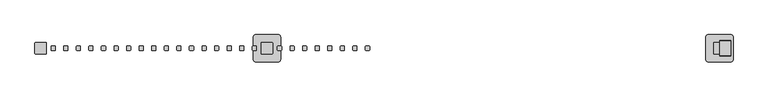
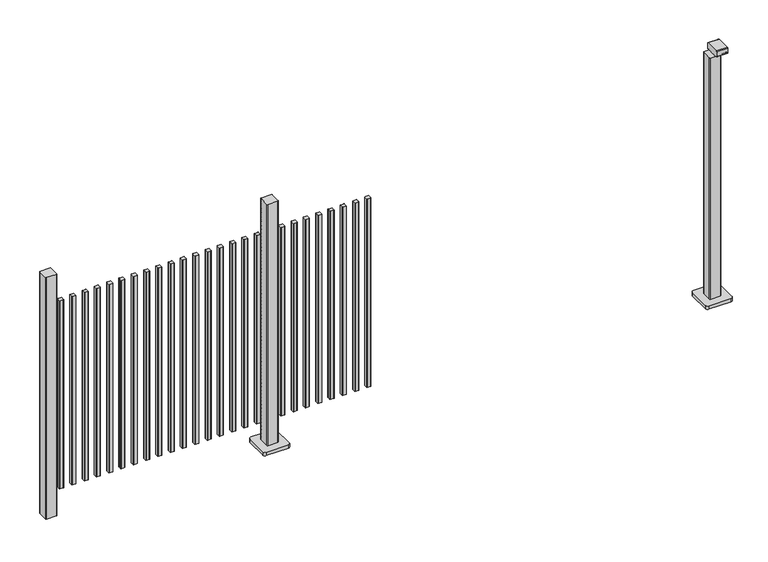
"""IFC4 building model written with IfcOpenShell, lengths in millimetres: railing geometry."""

from ifc_helpers import new_model, si_unit, point, frame, frame_2d, origin, origin_with_axes, place, context, project, spatial, polyline, circle_curve, trimmed, segment, composite_curve, outline, extrude, source, transform, mapped, element, save


def railing_44521c37(model_context):
    return source(origin(), model_context, "Body", "SweptSolid", [
        extrude(outline(composite_curve([segment(trimmed(circle_curve(frame_2d((5128.2391355, 9693.4508236)), 1.4), [point((5126.8391355, 9693.4508236))], [point((5128.2391355, 9694.8508236))], False, "CARTESIAN"), True, "CONTINUOUS"), segment(polyline([(5128.2391355, 9694.8508236), (5143.4391385, 9694.8508236)]), True, "CONTINUOUS"), segment(trimmed(circle_curve(frame_2d((5143.4391385, 9693.4508236)), 1.4), [point((5143.4391385, 9694.8508236))], [point((5144.8391385, 9693.4508236))], False, "CARTESIAN"), True, "CONTINUOUS"), segment(polyline([(5144.8391385, 9693.4508236), (5144.8391385, 9678.2507846)]), True, "CONTINUOUS"), segment(trimmed(circle_curve(frame_2d((5143.4391385, 9678.2507846)), 1.4), [point((5144.8391385, 9678.2507846))], [point((5143.4391385, 9676.8507846))], False, "CARTESIAN"), True, "CONTINUOUS"), segment(polyline([(5143.4391385, 9676.8507846), (5128.2391355, 9676.8507846)]), True, "CONTINUOUS"), segment(trimmed(circle_curve(frame_2d((5128.2391355, 9678.2507846)), 1.4), [point((5128.2391355, 9676.8507846))], [point((5126.8391355, 9678.2507846))], False, "CARTESIAN"), True, "CONTINUOUS"), segment(polyline([(5126.8391355, 9678.2507846), (5126.8391355, 9693.4508236)]), True, "CONTINUOUS")], self_intersect=False)), frame((0.0, 0.0, 125.0), z_axis=(0.0, 0.0, 1.0), x_axis=(1.0, 0.0, 0.0)), (0.0, 0.0, 1.0), 900.0),
        extrude(outline(composite_curve([segment(trimmed(circle_curve(frame_2d((5072.6835799, 9693.4508236)), 1.4), [point((5071.2835799, 9693.4508236))], [point((5072.6835799, 9694.8508236))], False, "CARTESIAN"), True, "CONTINUOUS"), segment(polyline([(5072.6835799, 9694.8508236), (5087.8835829, 9694.8508236)]), True, "CONTINUOUS"), segment(trimmed(circle_curve(frame_2d((5087.8835829, 9693.4508236)), 1.4), [point((5087.8835829, 9694.8508236))], [point((5089.2835829, 9693.4508236))], False, "CARTESIAN"), True, "CONTINUOUS"), segment(polyline([(5089.2835829, 9693.4508236), (5089.2835829, 9678.2507846)]), True, "CONTINUOUS"), segment(trimmed(circle_curve(frame_2d((5087.8835829, 9678.2507846)), 1.4), [point((5089.2835829, 9678.2507846))], [point((5087.8835829, 9676.8507846))], False, "CARTESIAN"), True, "CONTINUOUS"), segment(polyline([(5087.8835829, 9676.8507846), (5072.6835799, 9676.8507846)]), True, "CONTINUOUS"), segment(trimmed(circle_curve(frame_2d((5072.6835799, 9678.2507846)), 1.4), [point((5072.6835799, 9676.8507846))], [point((5071.2835799, 9678.2507846))], False, "CARTESIAN"), True, "CONTINUOUS"), segment(polyline([(5071.2835799, 9678.2507846), (5071.2835799, 9693.4508236)]), True, "CONTINUOUS")], self_intersect=False)), frame((0.0, 0.0, 125.0), z_axis=(0.0, 0.0, 1.0), x_axis=(1.0, 0.0, 0.0)), (0.0, 0.0, 1.0), 900.0),
        extrude(outline(composite_curve([segment(trimmed(circle_curve(frame_2d((5017.1280244, 9693.4508236)), 1.4), [point((5015.7280244, 9693.4508236))], [point((5017.1280244, 9694.8508236))], False, "CARTESIAN"), True, "CONTINUOUS"), segment(polyline([(5017.1280244, 9694.8508236), (5032.3280274, 9694.8508236)]), True, "CONTINUOUS"), segment(trimmed(circle_curve(frame_2d((5032.3280274, 9693.4508236)), 1.4), [point((5032.3280274, 9694.8508236))], [point((5033.7280274, 9693.4508236))], False, "CARTESIAN"), True, "CONTINUOUS"), segment(polyline([(5033.7280274, 9693.4508236), (5033.7280274, 9678.2507846)]), True, "CONTINUOUS"), segment(trimmed(circle_curve(frame_2d((5032.3280274, 9678.2507846)), 1.4), [point((5033.7280274, 9678.2507846))], [point((5032.3280274, 9676.8507846))], False, "CARTESIAN"), True, "CONTINUOUS"), segment(polyline([(5032.3280274, 9676.8507846), (5017.1280244, 9676.8507846)]), True, "CONTINUOUS"), segment(trimmed(circle_curve(frame_2d((5017.1280244, 9678.2507846)), 1.4), [point((5017.1280244, 9676.8507846))], [point((5015.7280244, 9678.2507846))], False, "CARTESIAN"), True, "CONTINUOUS"), segment(polyline([(5015.7280244, 9678.2507846), (5015.7280244, 9693.4508236)]), True, "CONTINUOUS")], self_intersect=False)), frame((0.0, 0.0, 125.0), z_axis=(0.0, 0.0, 1.0), x_axis=(1.0, 0.0, 0.0)), (0.0, 0.0, 1.0), 900.0),
        extrude(outline(composite_curve([segment(trimmed(circle_curve(frame_2d((4961.5724688, 9693.4508236)), 1.4), [point((4960.1724688, 9693.4508236))], [point((4961.5724688, 9694.8508236))], False, "CARTESIAN"), True, "CONTINUOUS"), segment(polyline([(4961.5724688, 9694.8508236), (4976.7724718, 9694.8508236)]), True, "CONTINUOUS"), segment(trimmed(circle_curve(frame_2d((4976.7724718, 9693.4508236)), 1.4), [point((4976.7724718, 9694.8508236))], [point((4978.1724718, 9693.4508236))], False, "CARTESIAN"), True, "CONTINUOUS"), segment(polyline([(4978.1724718, 9693.4508236), (4978.1724718, 9678.2507846)]), True, "CONTINUOUS"), segment(trimmed(circle_curve(frame_2d((4976.7724718, 9678.2507846)), 1.4), [point((4978.1724718, 9678.2507846))], [point((4976.7724718, 9676.8507846))], False, "CARTESIAN"), True, "CONTINUOUS"), segment(polyline([(4976.7724718, 9676.8507846), (4961.5724688, 9676.8507846)]), True, "CONTINUOUS"), segment(trimmed(circle_curve(frame_2d((4961.5724688, 9678.2507846)), 1.4), [point((4961.5724688, 9676.8507846))], [point((4960.1724688, 9678.2507846))], False, "CARTESIAN"), True, "CONTINUOUS"), segment(polyline([(4960.1724688, 9678.2507846), (4960.1724688, 9693.4508236)]), True, "CONTINUOUS")], self_intersect=False)), frame((0.0, 0.0, 125.0), z_axis=(0.0, 0.0, 1.0), x_axis=(1.0, 0.0, 0.0)), (0.0, 0.0, 1.0), 900.0),
        extrude(outline(composite_curve([segment(trimmed(circle_curve(frame_2d((4906.0169133, 9693.4508236)), 1.4), [point((4904.6169133, 9693.4508236))], [point((4906.0169133, 9694.8508236))], False, "CARTESIAN"), True, "CONTINUOUS"), segment(polyline([(4906.0169133, 9694.8508236), (4921.2169163, 9694.8508236)]), True, "CONTINUOUS"), segment(trimmed(circle_curve(frame_2d((4921.2169163, 9693.4508236)), 1.4), [point((4921.2169163, 9694.8508236))], [point((4922.6169163, 9693.4508236))], False, "CARTESIAN"), True, "CONTINUOUS"), segment(polyline([(4922.6169163, 9693.4508236), (4922.6169163, 9678.2507846)]), True, "CONTINUOUS"), segment(trimmed(circle_curve(frame_2d((4921.2169163, 9678.2507846)), 1.4), [point((4922.6169163, 9678.2507846))], [point((4921.2169163, 9676.8507846))], False, "CARTESIAN"), True, "CONTINUOUS"), segment(polyline([(4921.2169163, 9676.8507846), (4906.0169133, 9676.8507846)]), True, "CONTINUOUS"), segment(trimmed(circle_curve(frame_2d((4906.0169133, 9678.2507846)), 1.4), [point((4906.0169133, 9676.8507846))], [point((4904.6169133, 9678.2507846))], False, "CARTESIAN"), True, "CONTINUOUS"), segment(polyline([(4904.6169133, 9678.2507846), (4904.6169133, 9693.4508236)]), True, "CONTINUOUS")], self_intersect=False)), frame((0.0, 0.0, 125.0), z_axis=(0.0, 0.0, 1.0), x_axis=(1.0, 0.0, 0.0)), (0.0, 0.0, 1.0), 900.0),
        extrude(outline(composite_curve([segment(trimmed(circle_curve(frame_2d((4850.4613577, 9693.4508236)), 1.4), [point((4849.0613577, 9693.4508236))], [point((4850.4613577, 9694.8508236))], False, "CARTESIAN"), True, "CONTINUOUS"), segment(polyline([(4850.4613577, 9694.8508236), (4865.6613607, 9694.8508236)]), True, "CONTINUOUS"), segment(trimmed(circle_curve(frame_2d((4865.6613607, 9693.4508236)), 1.4), [point((4865.6613607, 9694.8508236))], [point((4867.0613607, 9693.4508236))], False, "CARTESIAN"), True, "CONTINUOUS"), segment(polyline([(4867.0613607, 9693.4508236), (4867.0613607, 9678.2507846)]), True, "CONTINUOUS"), segment(trimmed(circle_curve(frame_2d((4865.6613607, 9678.2507846)), 1.4), [point((4867.0613607, 9678.2507846))], [point((4865.6613607, 9676.8507846))], False, "CARTESIAN"), True, "CONTINUOUS"), segment(polyline([(4865.6613607, 9676.8507846), (4850.4613577, 9676.8507846)]), True, "CONTINUOUS"), segment(trimmed(circle_curve(frame_2d((4850.4613577, 9678.2507846)), 1.4), [point((4850.4613577, 9676.8507846))], [point((4849.0613577, 9678.2507846))], False, "CARTESIAN"), True, "CONTINUOUS"), segment(polyline([(4849.0613577, 9678.2507846), (4849.0613577, 9693.4508236)]), True, "CONTINUOUS")], self_intersect=False)), frame((0.0, 0.0, 125.0), z_axis=(0.0, 0.0, 1.0), x_axis=(1.0, 0.0, 0.0)), (0.0, 0.0, 1.0), 900.0),
        extrude(outline(composite_curve([segment(trimmed(circle_curve(frame_2d((4794.9058021, 9693.4508236)), 1.4), [point((4793.5058021, 9693.4508236))], [point((4794.9058021, 9694.8508236))], False, "CARTESIAN"), True, "CONTINUOUS"), segment(polyline([(4794.9058021, 9694.8508236), (4810.1058051, 9694.8508236)]), True, "CONTINUOUS"), segment(trimmed(circle_curve(frame_2d((4810.1058051, 9693.4508236)), 1.4), [point((4810.1058051, 9694.8508236))], [point((4811.5058051, 9693.4508236))], False, "CARTESIAN"), True, "CONTINUOUS"), segment(polyline([(4811.5058051, 9693.4508236), (4811.5058051, 9678.2507846)]), True, "CONTINUOUS"), segment(trimmed(circle_curve(frame_2d((4810.1058051, 9678.2507846)), 1.4), [point((4811.5058051, 9678.2507846))], [point((4810.1058051, 9676.8507846))], False, "CARTESIAN"), True, "CONTINUOUS"), segment(polyline([(4810.1058051, 9676.8507846), (4794.9058021, 9676.8507846)]), True, "CONTINUOUS"), segment(trimmed(circle_curve(frame_2d((4794.9058021, 9678.2507846)), 1.4), [point((4794.9058021, 9676.8507846))], [point((4793.5058021, 9678.2507846))], False, "CARTESIAN"), True, "CONTINUOUS"), segment(polyline([(4793.5058021, 9678.2507846), (4793.5058021, 9693.4508236)]), True, "CONTINUOUS")], self_intersect=False)), frame((0.0, 0.0, 125.0), z_axis=(0.0, 0.0, 1.0), x_axis=(1.0, 0.0, 0.0)), (0.0, 0.0, 1.0), 900.0),
        extrude(outline(composite_curve([segment(trimmed(circle_curve(frame_2d((4739.3502466, 9693.4508236)), 1.4), [point((4737.9502466, 9693.4508236))], [point((4739.3502466, 9694.8508236))], False, "CARTESIAN"), True, "CONTINUOUS"), segment(polyline([(4739.3502466, 9694.8508236), (4754.5502496, 9694.8508236)]), True, "CONTINUOUS"), segment(trimmed(circle_curve(frame_2d((4754.5502496, 9693.4508236)), 1.4), [point((4754.5502496, 9694.8508236))], [point((4755.9502496, 9693.4508236))], False, "CARTESIAN"), True, "CONTINUOUS"), segment(polyline([(4755.9502496, 9693.4508236), (4755.9502496, 9678.2507846)]), True, "CONTINUOUS"), segment(trimmed(circle_curve(frame_2d((4754.5502496, 9678.2507846)), 1.4), [point((4755.9502496, 9678.2507846))], [point((4754.5502496, 9676.8507846))], False, "CARTESIAN"), True, "CONTINUOUS"), segment(polyline([(4754.5502496, 9676.8507846), (4739.3502466, 9676.8507846)]), True, "CONTINUOUS"), segment(trimmed(circle_curve(frame_2d((4739.3502466, 9678.2507846)), 1.4), [point((4739.3502466, 9676.8507846))], [point((4737.9502466, 9678.2507846))], False, "CARTESIAN"), True, "CONTINUOUS"), segment(polyline([(4737.9502466, 9678.2507846), (4737.9502466, 9693.4508236)]), True, "CONTINUOUS")], self_intersect=False)), frame((0.0, 0.0, 125.0), z_axis=(0.0, 0.0, 1.0), x_axis=(1.0, 0.0, 0.0)), (0.0, 0.0, 1.0), 900.0),
        extrude(outline(composite_curve([segment(trimmed(circle_curve(frame_2d((4668.994681, 9708.2508266)), 3.0), [point((4665.994681, 9708.2508266))], [point((4668.994681, 9711.2508266))], False, "CARTESIAN"), True, "CONTINUOUS"), segment(polyline([(4668.994681, 9711.2508266), (4713.794704, 9711.2508266)]), True, "CONTINUOUS"), segment(trimmed(circle_curve(frame_2d((4713.794704, 9708.2508266)), 3.0), [point((4713.794704, 9711.2508266))], [point((4716.794704, 9708.2508266))], False, "CARTESIAN"), True, "CONTINUOUS"), segment(polyline([(4716.794704, 9708.2508266), (4716.794704, 9663.4508036)]), True, "CONTINUOUS"), segment(trimmed(circle_curve(frame_2d((4713.794704, 9663.4508036)), 3.0), [point((4716.794704, 9663.4508036))], [point((4713.794704, 9660.4508036))], False, "CARTESIAN"), True, "CONTINUOUS"), segment(polyline([(4713.794704, 9660.4508036), (4668.994681, 9660.4508036)]), True, "CONTINUOUS"), segment(trimmed(circle_curve(frame_2d((4668.994681, 9663.4508036)), 3.0), [point((4668.994681, 9660.4508036))], [point((4665.994681, 9663.4508036))], False, "CARTESIAN"), True, "CONTINUOUS"), segment(polyline([(4665.994681, 9663.4508036), (4665.994681, 9708.2508266)]), True, "CONTINUOUS")], self_intersect=False)), frame((0.0, 0.0, 16.0), z_axis=(0.0, 0.0, 1.0), x_axis=(1.0, 0.0, 0.0)), (0.0, 0.0, 1.0), 1153.8785743),
        extrude(outline(composite_curve([segment(trimmed(circle_curve(frame_2d((4641.394681, 9735.8508151)), 10.0), [point((4631.394681, 9735.8508151))], [point((4641.394681, 9745.8508151))], False, "CARTESIAN"), True, "CONTINUOUS"), segment(polyline([(4641.394681, 9745.8508151), (4741.394681, 9745.8508151)]), True, "CONTINUOUS"), segment(trimmed(circle_curve(frame_2d((4741.394681, 9735.8508151)), 10.0), [point((4741.394681, 9745.8508151))], [point((4751.394681, 9735.8508151))], False, "CARTESIAN"), True, "CONTINUOUS"), segment(polyline([(4751.394681, 9735.8508151), (4751.394681, 9635.8508151)]), True, "CONTINUOUS"), segment(trimmed(circle_curve(frame_2d((4741.394681, 9635.8508151)), 10.0), [point((4751.394681, 9635.8508151))], [point((4741.394681, 9625.8508151))], False, "CARTESIAN"), True, "CONTINUOUS"), segment(polyline([(4741.394681, 9625.8508151), (4641.394681, 9625.8508151)]), True, "CONTINUOUS"), segment(trimmed(circle_curve(frame_2d((4641.394681, 9635.8508151)), 10.0), [point((4641.394681, 9625.8508151))], [point((4631.394681, 9635.8508151))], False, "CARTESIAN"), True, "CONTINUOUS"), segment(polyline([(4631.394681, 9635.8508151), (4631.394681, 9735.8508151)]), True, "CONTINUOUS")], self_intersect=False)), origin_with_axes(), (0.0, 0.0, 1.0), 16.0),
        extrude(outline(composite_curve([segment(trimmed(circle_curve(frame_2d((4628.2391355, 9693.4508236)), 1.4), [point((4626.8391355, 9693.4508236))], [point((4628.2391355, 9694.8508236))], False, "CARTESIAN"), True, "CONTINUOUS"), segment(polyline([(4628.2391355, 9694.8508236), (4643.4391385, 9694.8508236)]), True, "CONTINUOUS"), segment(trimmed(circle_curve(frame_2d((4643.4391385, 9693.4508236)), 1.4), [point((4643.4391385, 9694.8508236))], [point((4644.8391385, 9693.4508236))], False, "CARTESIAN"), True, "CONTINUOUS"), segment(polyline([(4644.8391385, 9693.4508236), (4644.8391385, 9678.2507846)]), True, "CONTINUOUS"), segment(trimmed(circle_curve(frame_2d((4643.4391385, 9678.2507846)), 1.4), [point((4644.8391385, 9678.2507846))], [point((4643.4391385, 9676.8507846))], False, "CARTESIAN"), True, "CONTINUOUS"), segment(polyline([(4643.4391385, 9676.8507846), (4628.2391355, 9676.8507846)]), True, "CONTINUOUS"), segment(trimmed(circle_curve(frame_2d((4628.2391355, 9678.2507846)), 1.4), [point((4628.2391355, 9676.8507846))], [point((4626.8391355, 9678.2507846))], False, "CARTESIAN"), True, "CONTINUOUS"), segment(polyline([(4626.8391355, 9678.2507846), (4626.8391355, 9693.4508236)]), True, "CONTINUOUS")], self_intersect=False)), frame((0.0, 0.0, 125.0), z_axis=(0.0, 0.0, 1.0), x_axis=(1.0, 0.0, 0.0)), (0.0, 0.0, 1.0), 900.0),
        extrude(outline(composite_curve([segment(trimmed(circle_curve(frame_2d((4572.6835799, 9693.4508236)), 1.4), [point((4571.2835799, 9693.4508236))], [point((4572.6835799, 9694.8508236))], False, "CARTESIAN"), True, "CONTINUOUS"), segment(polyline([(4572.6835799, 9694.8508236), (4587.8835829, 9694.8508236)]), True, "CONTINUOUS"), segment(trimmed(circle_curve(frame_2d((4587.8835829, 9693.4508236)), 1.4), [point((4587.8835829, 9694.8508236))], [point((4589.2835829, 9693.4508236))], False, "CARTESIAN"), True, "CONTINUOUS"), segment(polyline([(4589.2835829, 9693.4508236), (4589.2835829, 9678.2507846)]), True, "CONTINUOUS"), segment(trimmed(circle_curve(frame_2d((4587.8835829, 9678.2507846)), 1.4), [point((4589.2835829, 9678.2507846))], [point((4587.8835829, 9676.8507846))], False, "CARTESIAN"), True, "CONTINUOUS"), segment(polyline([(4587.8835829, 9676.8507846), (4572.6835799, 9676.8507846)]), True, "CONTINUOUS"), segment(trimmed(circle_curve(frame_2d((4572.6835799, 9678.2507846)), 1.4), [point((4572.6835799, 9676.8507846))], [point((4571.2835799, 9678.2507846))], False, "CARTESIAN"), True, "CONTINUOUS"), segment(polyline([(4571.2835799, 9678.2507846), (4571.2835799, 9693.4508236)]), True, "CONTINUOUS")], self_intersect=False)), frame((0.0, 0.0, 125.0), z_axis=(0.0, 0.0, 1.0), x_axis=(1.0, 0.0, 0.0)), (0.0, 0.0, 1.0), 900.0),
        extrude(outline(composite_curve([segment(trimmed(circle_curve(frame_2d((4517.1280244, 9693.4508236)), 1.4), [point((4515.7280244, 9693.4508236))], [point((4517.1280244, 9694.8508236))], False, "CARTESIAN"), True, "CONTINUOUS"), segment(polyline([(4517.1280244, 9694.8508236), (4532.3280274, 9694.8508236)]), True, "CONTINUOUS"), segment(trimmed(circle_curve(frame_2d((4532.3280274, 9693.4508236)), 1.4), [point((4532.3280274, 9694.8508236))], [point((4533.7280274, 9693.4508236))], False, "CARTESIAN"), True, "CONTINUOUS"), segment(polyline([(4533.7280274, 9693.4508236), (4533.7280274, 9678.2507846)]), True, "CONTINUOUS"), segment(trimmed(circle_curve(frame_2d((4532.3280274, 9678.2507846)), 1.4), [point((4533.7280274, 9678.2507846))], [point((4532.3280274, 9676.8507846))], False, "CARTESIAN"), True, "CONTINUOUS"), segment(polyline([(4532.3280274, 9676.8507846), (4517.1280244, 9676.8507846)]), True, "CONTINUOUS"), segment(trimmed(circle_curve(frame_2d((4517.1280244, 9678.2507846)), 1.4), [point((4517.1280244, 9676.8507846))], [point((4515.7280244, 9678.2507846))], False, "CARTESIAN"), True, "CONTINUOUS"), segment(polyline([(4515.7280244, 9678.2507846), (4515.7280244, 9693.4508236)]), True, "CONTINUOUS")], self_intersect=False)), frame((0.0, 0.0, 125.0), z_axis=(0.0, 0.0, 1.0), x_axis=(1.0, 0.0, 0.0)), (0.0, 0.0, 1.0), 900.0),
        extrude(outline(composite_curve([segment(trimmed(circle_curve(frame_2d((4461.5724688, 9693.4508236)), 1.4), [point((4460.1724688, 9693.4508236))], [point((4461.5724688, 9694.8508236))], False, "CARTESIAN"), True, "CONTINUOUS"), segment(polyline([(4461.5724688, 9694.8508236), (4476.7724718, 9694.8508236)]), True, "CONTINUOUS"), segment(trimmed(circle_curve(frame_2d((4476.7724718, 9693.4508236)), 1.4), [point((4476.7724718, 9694.8508236))], [point((4478.1724718, 9693.4508236))], False, "CARTESIAN"), True, "CONTINUOUS"), segment(polyline([(4478.1724718, 9693.4508236), (4478.1724718, 9678.2507846)]), True, "CONTINUOUS"), segment(trimmed(circle_curve(frame_2d((4476.7724718, 9678.2507846)), 1.4), [point((4478.1724718, 9678.2507846))], [point((4476.7724718, 9676.8507846))], False, "CARTESIAN"), True, "CONTINUOUS"), segment(polyline([(4476.7724718, 9676.8507846), (4461.5724688, 9676.8507846)]), True, "CONTINUOUS"), segment(trimmed(circle_curve(frame_2d((4461.5724688, 9678.2507846)), 1.4), [point((4461.5724688, 9676.8507846))], [point((4460.1724688, 9678.2507846))], False, "CARTESIAN"), True, "CONTINUOUS"), segment(polyline([(4460.1724688, 9678.2507846), (4460.1724688, 9693.4508236)]), True, "CONTINUOUS")], self_intersect=False)), frame((0.0, 0.0, 125.0), z_axis=(0.0, 0.0, 1.0), x_axis=(1.0, 0.0, 0.0)), (0.0, 0.0, 1.0), 900.0),
        extrude(outline(composite_curve([segment(trimmed(circle_curve(frame_2d((4406.0169133, 9693.4508236)), 1.4), [point((4404.6169133, 9693.4508236))], [point((4406.0169133, 9694.8508236))], False, "CARTESIAN"), True, "CONTINUOUS"), segment(polyline([(4406.0169133, 9694.8508236), (4421.2169163, 9694.8508236)]), True, "CONTINUOUS"), segment(trimmed(circle_curve(frame_2d((4421.2169163, 9693.4508236)), 1.4), [point((4421.2169163, 9694.8508236))], [point((4422.6169163, 9693.4508236))], False, "CARTESIAN"), True, "CONTINUOUS"), segment(polyline([(4422.6169163, 9693.4508236), (4422.6169163, 9678.2507846)]), True, "CONTINUOUS"), segment(trimmed(circle_curve(frame_2d((4421.2169163, 9678.2507846)), 1.4), [point((4422.6169163, 9678.2507846))], [point((4421.2169163, 9676.8507846))], False, "CARTESIAN"), True, "CONTINUOUS"), segment(polyline([(4421.2169163, 9676.8507846), (4406.0169133, 9676.8507846)]), True, "CONTINUOUS"), segment(trimmed(circle_curve(frame_2d((4406.0169133, 9678.2507846)), 1.4), [point((4406.0169133, 9676.8507846))], [point((4404.6169133, 9678.2507846))], False, "CARTESIAN"), True, "CONTINUOUS"), segment(polyline([(4404.6169133, 9678.2507846), (4404.6169133, 9693.4508236)]), True, "CONTINUOUS")], self_intersect=False)), frame((0.0, 0.0, 125.0), z_axis=(0.0, 0.0, 1.0), x_axis=(1.0, 0.0, 0.0)), (0.0, 0.0, 1.0), 900.0),
        extrude(outline(composite_curve([segment(trimmed(circle_curve(frame_2d((4350.4613577, 9693.4508236)), 1.4), [point((4349.0613577, 9693.4508236))], [point((4350.4613577, 9694.8508236))], False, "CARTESIAN"), True, "CONTINUOUS"), segment(polyline([(4350.4613577, 9694.8508236), (4365.6613607, 9694.8508236)]), True, "CONTINUOUS"), segment(trimmed(circle_curve(frame_2d((4365.6613607, 9693.4508236)), 1.4), [point((4365.6613607, 9694.8508236))], [point((4367.0613607, 9693.4508236))], False, "CARTESIAN"), True, "CONTINUOUS"), segment(polyline([(4367.0613607, 9693.4508236), (4367.0613607, 9678.2507846)]), True, "CONTINUOUS"), segment(trimmed(circle_curve(frame_2d((4365.6613607, 9678.2507846)), 1.4), [point((4367.0613607, 9678.2507846))], [point((4365.6613607, 9676.8507846))], False, "CARTESIAN"), True, "CONTINUOUS"), segment(polyline([(4365.6613607, 9676.8507846), (4350.4613577, 9676.8507846)]), True, "CONTINUOUS"), segment(trimmed(circle_curve(frame_2d((4350.4613577, 9678.2507846)), 1.4), [point((4350.4613577, 9676.8507846))], [point((4349.0613577, 9678.2507846))], False, "CARTESIAN"), True, "CONTINUOUS"), segment(polyline([(4349.0613577, 9678.2507846), (4349.0613577, 9693.4508236)]), True, "CONTINUOUS")], self_intersect=False)), frame((0.0, 0.0, 125.0), z_axis=(0.0, 0.0, 1.0), x_axis=(1.0, 0.0, 0.0)), (0.0, 0.0, 1.0), 900.0),
        extrude(outline(composite_curve([segment(trimmed(circle_curve(frame_2d((4294.9058021, 9693.4508236)), 1.4), [point((4293.5058021, 9693.4508236))], [point((4294.9058021, 9694.8508236))], False, "CARTESIAN"), True, "CONTINUOUS"), segment(polyline([(4294.9058021, 9694.8508236), (4310.1058051, 9694.8508236)]), True, "CONTINUOUS"), segment(trimmed(circle_curve(frame_2d((4310.1058051, 9693.4508236)), 1.4), [point((4310.1058051, 9694.8508236))], [point((4311.5058051, 9693.4508236))], False, "CARTESIAN"), True, "CONTINUOUS"), segment(polyline([(4311.5058051, 9693.4508236), (4311.5058051, 9678.2507846)]), True, "CONTINUOUS"), segment(trimmed(circle_curve(frame_2d((4310.1058051, 9678.2507846)), 1.4), [point((4311.5058051, 9678.2507846))], [point((4310.1058051, 9676.8507846))], False, "CARTESIAN"), True, "CONTINUOUS"), segment(polyline([(4310.1058051, 9676.8507846), (4294.9058021, 9676.8507846)]), True, "CONTINUOUS"), segment(trimmed(circle_curve(frame_2d((4294.9058021, 9678.2507846)), 1.4), [point((4294.9058021, 9676.8507846))], [point((4293.5058021, 9678.2507846))], False, "CARTESIAN"), True, "CONTINUOUS"), segment(polyline([(4293.5058021, 9678.2507846), (4293.5058021, 9693.4508236)]), True, "CONTINUOUS")], self_intersect=False)), frame((0.0, 0.0, 125.0), z_axis=(0.0, 0.0, 1.0), x_axis=(1.0, 0.0, 0.0)), (0.0, 0.0, 1.0), 900.0),
        extrude(outline(composite_curve([segment(trimmed(circle_curve(frame_2d((4239.3502466, 9693.4508236)), 1.4), [point((4237.9502466, 9693.4508236))], [point((4239.3502466, 9694.8508236))], False, "CARTESIAN"), True, "CONTINUOUS"), segment(polyline([(4239.3502466, 9694.8508236), (4254.5502496, 9694.8508236)]), True, "CONTINUOUS"), segment(trimmed(circle_curve(frame_2d((4254.5502496, 9693.4508236)), 1.4), [point((4254.5502496, 9694.8508236))], [point((4255.9502496, 9693.4508236))], False, "CARTESIAN"), True, "CONTINUOUS"), segment(polyline([(4255.9502496, 9693.4508236), (4255.9502496, 9678.2507846)]), True, "CONTINUOUS"), segment(trimmed(circle_curve(frame_2d((4254.5502496, 9678.2507846)), 1.4), [point((4255.9502496, 9678.2507846))], [point((4254.5502496, 9676.8507846))], False, "CARTESIAN"), True, "CONTINUOUS"), segment(polyline([(4254.5502496, 9676.8507846), (4239.3502466, 9676.8507846)]), True, "CONTINUOUS"), segment(trimmed(circle_curve(frame_2d((4239.3502466, 9678.2507846)), 1.4), [point((4239.3502466, 9676.8507846))], [point((4237.9502466, 9678.2507846))], False, "CARTESIAN"), True, "CONTINUOUS"), segment(polyline([(4237.9502466, 9678.2507846), (4237.9502466, 9693.4508236)]), True, "CONTINUOUS")], self_intersect=False)), frame((0.0, 0.0, 125.0), z_axis=(0.0, 0.0, 1.0), x_axis=(1.0, 0.0, 0.0)), (0.0, 0.0, 1.0), 900.0),
        extrude(outline(composite_curve([segment(trimmed(circle_curve(frame_2d((4183.794691, 9693.4508236)), 1.4), [point((4182.394691, 9693.4508236))], [point((4183.794691, 9694.8508236))], False, "CARTESIAN"), True, "CONTINUOUS"), segment(polyline([(4183.794691, 9694.8508236), (4198.994694, 9694.8508236)]), True, "CONTINUOUS"), segment(trimmed(circle_curve(frame_2d((4198.994694, 9693.4508236)), 1.4), [point((4198.994694, 9694.8508236))], [point((4200.394694, 9693.4508236))], False, "CARTESIAN"), True, "CONTINUOUS"), segment(polyline([(4200.394694, 9693.4508236), (4200.394694, 9678.2507846)]), True, "CONTINUOUS"), segment(trimmed(circle_curve(frame_2d((4198.994694, 9678.2507846)), 1.4), [point((4200.394694, 9678.2507846))], [point((4198.994694, 9676.8507846))], False, "CARTESIAN"), True, "CONTINUOUS"), segment(polyline([(4198.994694, 9676.8507846), (4183.794691, 9676.8507846)]), True, "CONTINUOUS"), segment(trimmed(circle_curve(frame_2d((4183.794691, 9678.2507846)), 1.4), [point((4183.794691, 9676.8507846))], [point((4182.394691, 9678.2507846))], False, "CARTESIAN"), True, "CONTINUOUS"), segment(polyline([(4182.394691, 9678.2507846), (4182.394691, 9693.4508236)]), True, "CONTINUOUS")], self_intersect=False)), frame((0.0, 0.0, 125.0), z_axis=(0.0, 0.0, 1.0), x_axis=(1.0, 0.0, 0.0)), (0.0, 0.0, 1.0), 900.0),
        extrude(outline(composite_curve([segment(trimmed(circle_curve(frame_2d((4128.2391355, 9693.4508236)), 1.4), [point((4126.8391355, 9693.4508236))], [point((4128.2391355, 9694.8508236))], False, "CARTESIAN"), True, "CONTINUOUS"), segment(polyline([(4128.2391355, 9694.8508236), (4143.4391385, 9694.8508236)]), True, "CONTINUOUS"), segment(trimmed(circle_curve(frame_2d((4143.4391385, 9693.4508236)), 1.4), [point((4143.4391385, 9694.8508236))], [point((4144.8391385, 9693.4508236))], False, "CARTESIAN"), True, "CONTINUOUS"), segment(polyline([(4144.8391385, 9693.4508236), (4144.8391385, 9678.2507846)]), True, "CONTINUOUS"), segment(trimmed(circle_curve(frame_2d((4143.4391385, 9678.2507846)), 1.4), [point((4144.8391385, 9678.2507846))], [point((4143.4391385, 9676.8507846))], False, "CARTESIAN"), True, "CONTINUOUS"), segment(polyline([(4143.4391385, 9676.8507846), (4128.2391355, 9676.8507846)]), True, "CONTINUOUS"), segment(trimmed(circle_curve(frame_2d((4128.2391355, 9678.2507846)), 1.4), [point((4128.2391355, 9676.8507846))], [point((4126.8391355, 9678.2507846))], False, "CARTESIAN"), True, "CONTINUOUS"), segment(polyline([(4126.8391355, 9678.2507846), (4126.8391355, 9693.4508236)]), True, "CONTINUOUS")], self_intersect=False)), frame((0.0, 0.0, 125.0), z_axis=(0.0, 0.0, 1.0), x_axis=(1.0, 0.0, 0.0)), (0.0, 0.0, 1.0), 900.0),
        extrude(outline(composite_curve([segment(trimmed(circle_curve(frame_2d((4072.6835799, 9693.4508236)), 1.4), [point((4071.2835799, 9693.4508236))], [point((4072.6835799, 9694.8508236))], False, "CARTESIAN"), True, "CONTINUOUS"), segment(polyline([(4072.6835799, 9694.8508236), (4087.8835829, 9694.8508236)]), True, "CONTINUOUS"), segment(trimmed(circle_curve(frame_2d((4087.8835829, 9693.4508236)), 1.4), [point((4087.8835829, 9694.8508236))], [point((4089.2835829, 9693.4508236))], False, "CARTESIAN"), True, "CONTINUOUS"), segment(polyline([(4089.2835829, 9693.4508236), (4089.2835829, 9678.2507846)]), True, "CONTINUOUS"), segment(trimmed(circle_curve(frame_2d((4087.8835829, 9678.2507846)), 1.4), [point((4089.2835829, 9678.2507846))], [point((4087.8835829, 9676.8507846))], False, "CARTESIAN"), True, "CONTINUOUS"), segment(polyline([(4087.8835829, 9676.8507846), (4072.6835799, 9676.8507846)]), True, "CONTINUOUS"), segment(trimmed(circle_curve(frame_2d((4072.6835799, 9678.2507846)), 1.4), [point((4072.6835799, 9676.8507846))], [point((4071.2835799, 9678.2507846))], False, "CARTESIAN"), True, "CONTINUOUS"), segment(polyline([(4071.2835799, 9678.2507846), (4071.2835799, 9693.4508236)]), True, "CONTINUOUS")], self_intersect=False)), frame((0.0, 0.0, 125.0), z_axis=(0.0, 0.0, 1.0), x_axis=(1.0, 0.0, 0.0)), (0.0, 0.0, 1.0), 900.0),
        extrude(outline(composite_curve([segment(trimmed(circle_curve(frame_2d((4017.1280244, 9693.4508236)), 1.4), [point((4015.7280244, 9693.4508236))], [point((4017.1280244, 9694.8508236))], False, "CARTESIAN"), True, "CONTINUOUS"), segment(polyline([(4017.1280244, 9694.8508236), (4032.3280274, 9694.8508236)]), True, "CONTINUOUS"), segment(trimmed(circle_curve(frame_2d((4032.3280274, 9693.4508236)), 1.4), [point((4032.3280274, 9694.8508236))], [point((4033.7280274, 9693.4508236))], False, "CARTESIAN"), True, "CONTINUOUS"), segment(polyline([(4033.7280274, 9693.4508236), (4033.7280274, 9678.2507846)]), True, "CONTINUOUS"), segment(trimmed(circle_curve(frame_2d((4032.3280274, 9678.2507846)), 1.4), [point((4033.7280274, 9678.2507846))], [point((4032.3280274, 9676.8507846))], False, "CARTESIAN"), True, "CONTINUOUS"), segment(polyline([(4032.3280274, 9676.8507846), (4017.1280244, 9676.8507846)]), True, "CONTINUOUS"), segment(trimmed(circle_curve(frame_2d((4017.1280244, 9678.2507846)), 1.4), [point((4017.1280244, 9676.8507846))], [point((4015.7280244, 9678.2507846))], False, "CARTESIAN"), True, "CONTINUOUS"), segment(polyline([(4015.7280244, 9678.2507846), (4015.7280244, 9693.4508236)]), True, "CONTINUOUS")], self_intersect=False)), frame((0.0, 0.0, 125.0), z_axis=(0.0, 0.0, 1.0), x_axis=(1.0, 0.0, 0.0)), (0.0, 0.0, 1.0), 900.0),
        extrude(outline(composite_curve([segment(trimmed(circle_curve(frame_2d((3961.5724688, 9693.4508236)), 1.4), [point((3960.1724688, 9693.4508236))], [point((3961.5724688, 9694.8508236))], False, "CARTESIAN"), True, "CONTINUOUS"), segment(polyline([(3961.5724688, 9694.8508236), (3976.7724718, 9694.8508236)]), True, "CONTINUOUS"), segment(trimmed(circle_curve(frame_2d((3976.7724718, 9693.4508236)), 1.4), [point((3976.7724718, 9694.8508236))], [point((3978.1724718, 9693.4508236))], False, "CARTESIAN"), True, "CONTINUOUS"), segment(polyline([(3978.1724718, 9693.4508236), (3978.1724718, 9678.2507846)]), True, "CONTINUOUS"), segment(trimmed(circle_curve(frame_2d((3976.7724718, 9678.2507846)), 1.4), [point((3978.1724718, 9678.2507846))], [point((3976.7724718, 9676.8507846))], False, "CARTESIAN"), True, "CONTINUOUS"), segment(polyline([(3976.7724718, 9676.8507846), (3961.5724688, 9676.8507846)]), True, "CONTINUOUS"), segment(trimmed(circle_curve(frame_2d((3961.5724688, 9678.2507846)), 1.4), [point((3961.5724688, 9676.8507846))], [point((3960.1724688, 9678.2507846))], False, "CARTESIAN"), True, "CONTINUOUS"), segment(polyline([(3960.1724688, 9678.2507846), (3960.1724688, 9693.4508236)]), True, "CONTINUOUS")], self_intersect=False)), frame((0.0, 0.0, 125.0), z_axis=(0.0, 0.0, 1.0), x_axis=(1.0, 0.0, 0.0)), (0.0, 0.0, 1.0), 900.0),
        extrude(outline(composite_curve([segment(trimmed(circle_curve(frame_2d((3906.0169133, 9693.4508236)), 1.4), [point((3904.6169133, 9693.4508236))], [point((3906.0169133, 9694.8508236))], False, "CARTESIAN"), True, "CONTINUOUS"), segment(polyline([(3906.0169133, 9694.8508236), (3921.2169163, 9694.8508236)]), True, "CONTINUOUS"), segment(trimmed(circle_curve(frame_2d((3921.2169163, 9693.4508236)), 1.4), [point((3921.2169163, 9694.8508236))], [point((3922.6169163, 9693.4508236))], False, "CARTESIAN"), True, "CONTINUOUS"), segment(polyline([(3922.6169163, 9693.4508236), (3922.6169163, 9678.2507846)]), True, "CONTINUOUS"), segment(trimmed(circle_curve(frame_2d((3921.2169163, 9678.2507846)), 1.4), [point((3922.6169163, 9678.2507846))], [point((3921.2169163, 9676.8507846))], False, "CARTESIAN"), True, "CONTINUOUS"), segment(polyline([(3921.2169163, 9676.8507846), (3906.0169133, 9676.8507846)]), True, "CONTINUOUS"), segment(trimmed(circle_curve(frame_2d((3906.0169133, 9678.2507846)), 1.4), [point((3906.0169133, 9676.8507846))], [point((3904.6169133, 9678.2507846))], False, "CARTESIAN"), True, "CONTINUOUS"), segment(polyline([(3904.6169133, 9678.2507846), (3904.6169133, 9693.4508236)]), True, "CONTINUOUS")], self_intersect=False)), frame((0.0, 0.0, 125.0), z_axis=(0.0, 0.0, 1.0), x_axis=(1.0, 0.0, 0.0)), (0.0, 0.0, 1.0), 900.0),
        extrude(outline(composite_curve([segment(trimmed(circle_curve(frame_2d((3850.4613577, 9693.4508236)), 1.4), [point((3849.0613577, 9693.4508236))], [point((3850.4613577, 9694.8508236))], False, "CARTESIAN"), True, "CONTINUOUS"), segment(polyline([(3850.4613577, 9694.8508236), (3865.6613607, 9694.8508236)]), True, "CONTINUOUS"), segment(trimmed(circle_curve(frame_2d((3865.6613607, 9693.4508236)), 1.4), [point((3865.6613607, 9694.8508236))], [point((3867.0613607, 9693.4508236))], False, "CARTESIAN"), True, "CONTINUOUS"), segment(polyline([(3867.0613607, 9693.4508236), (3867.0613607, 9678.2507846)]), True, "CONTINUOUS"), segment(trimmed(circle_curve(frame_2d((3865.6613607, 9678.2507846)), 1.4), [point((3867.0613607, 9678.2507846))], [point((3865.6613607, 9676.8507846))], False, "CARTESIAN"), True, "CONTINUOUS"), segment(polyline([(3865.6613607, 9676.8507846), (3850.4613577, 9676.8507846)]), True, "CONTINUOUS"), segment(trimmed(circle_curve(frame_2d((3850.4613577, 9678.2507846)), 1.4), [point((3850.4613577, 9676.8507846))], [point((3849.0613577, 9678.2507846))], False, "CARTESIAN"), True, "CONTINUOUS"), segment(polyline([(3849.0613577, 9678.2507846), (3849.0613577, 9693.4508236)]), True, "CONTINUOUS")], self_intersect=False)), frame((0.0, 0.0, 125.0), z_axis=(0.0, 0.0, 1.0), x_axis=(1.0, 0.0, 0.0)), (0.0, 0.0, 1.0), 900.0),
        extrude(outline(composite_curve([segment(trimmed(circle_curve(frame_2d((3794.9058021, 9693.4508236)), 1.4), [point((3793.5058021, 9693.4508236))], [point((3794.9058021, 9694.8508236))], False, "CARTESIAN"), True, "CONTINUOUS"), segment(polyline([(3794.9058021, 9694.8508236), (3810.1058051, 9694.8508236)]), True, "CONTINUOUS"), segment(trimmed(circle_curve(frame_2d((3810.1058051, 9693.4508236)), 1.4), [point((3810.1058051, 9694.8508236))], [point((3811.5058051, 9693.4508236))], False, "CARTESIAN"), True, "CONTINUOUS"), segment(polyline([(3811.5058051, 9693.4508236), (3811.5058051, 9678.2507846)]), True, "CONTINUOUS"), segment(trimmed(circle_curve(frame_2d((3810.1058051, 9678.2507846)), 1.4), [point((3811.5058051, 9678.2507846))], [point((3810.1058051, 9676.8507846))], False, "CARTESIAN"), True, "CONTINUOUS"), segment(polyline([(3810.1058051, 9676.8507846), (3794.9058021, 9676.8507846)]), True, "CONTINUOUS"), segment(trimmed(circle_curve(frame_2d((3794.9058021, 9678.2507846)), 1.4), [point((3794.9058021, 9676.8507846))], [point((3793.5058021, 9678.2507846))], False, "CARTESIAN"), True, "CONTINUOUS"), segment(polyline([(3793.5058021, 9678.2507846), (3793.5058021, 9693.4508236)]), True, "CONTINUOUS")], self_intersect=False)), frame((0.0, 0.0, 125.0), z_axis=(0.0, 0.0, 1.0), x_axis=(1.0, 0.0, 0.0)), (0.0, 0.0, 1.0), 900.0),
        extrude(outline(composite_curve([segment(trimmed(circle_curve(frame_2d((3739.3502466, 9693.4508236)), 1.4), [point((3737.9502466, 9693.4508236))], [point((3739.3502466, 9694.8508236))], False, "CARTESIAN"), True, "CONTINUOUS"), segment(polyline([(3739.3502466, 9694.8508236), (3754.5502496, 9694.8508236)]), True, "CONTINUOUS"), segment(trimmed(circle_curve(frame_2d((3754.5502496, 9693.4508236)), 1.4), [point((3754.5502496, 9694.8508236))], [point((3755.9502496, 9693.4508236))], False, "CARTESIAN"), True, "CONTINUOUS"), segment(polyline([(3755.9502496, 9693.4508236), (3755.9502496, 9678.2507846)]), True, "CONTINUOUS"), segment(trimmed(circle_curve(frame_2d((3754.5502496, 9678.2507846)), 1.4), [point((3755.9502496, 9678.2507846))], [point((3754.5502496, 9676.8507846))], False, "CARTESIAN"), True, "CONTINUOUS"), segment(polyline([(3754.5502496, 9676.8507846), (3739.3502466, 9676.8507846)]), True, "CONTINUOUS"), segment(trimmed(circle_curve(frame_2d((3739.3502466, 9678.2507846)), 1.4), [point((3739.3502466, 9676.8507846))], [point((3737.9502466, 9678.2507846))], False, "CARTESIAN"), True, "CONTINUOUS"), segment(polyline([(3737.9502466, 9678.2507846), (3737.9502466, 9693.4508236)]), True, "CONTINUOUS")], self_intersect=False)), frame((0.0, 0.0, 125.0), z_axis=(0.0, 0.0, 1.0), x_axis=(1.0, 0.0, 0.0)), (0.0, 0.0, 1.0), 900.0),
        extrude(outline(composite_curve([segment(trimmed(circle_curve(frame_2d((6668.994681, 9708.2508266)), 3.0), [point((6665.994681, 9708.2508266))], [point((6668.994681, 9711.2508266))], False, "CARTESIAN"), True, "CONTINUOUS"), segment(polyline([(6668.994681, 9711.2508266), (6713.794704, 9711.2508266)]), True, "CONTINUOUS"), segment(trimmed(circle_curve(frame_2d((6713.794704, 9708.2508266)), 3.0), [point((6713.794704, 9711.2508266))], [point((6716.794704, 9708.2508266))], False, "CARTESIAN"), True, "CONTINUOUS"), segment(polyline([(6716.794704, 9708.2508266), (6716.794704, 9663.4508036)]), True, "CONTINUOUS"), segment(trimmed(circle_curve(frame_2d((6713.794704, 9663.4508036)), 3.0), [point((6716.794704, 9663.4508036))], [point((6713.794704, 9660.4508036))], False, "CARTESIAN"), True, "CONTINUOUS"), segment(polyline([(6713.794704, 9660.4508036), (6668.994681, 9660.4508036)]), True, "CONTINUOUS"), segment(trimmed(circle_curve(frame_2d((6668.994681, 9663.4508036)), 3.0), [point((6668.994681, 9660.4508036))], [point((6665.994681, 9663.4508036))], False, "CARTESIAN"), True, "CONTINUOUS"), segment(polyline([(6665.994681, 9663.4508036), (6665.994681, 9708.2508266)]), True, "CONTINUOUS")], self_intersect=False)), frame((0.0, 0.0, 16.0), z_axis=(0.0, 0.0, 1.0), x_axis=(1.0, 0.0, 0.0)), (0.0, 0.0, 1.0), 1153.8785743),
        extrude(outline(composite_curve([segment(trimmed(circle_curve(frame_2d((6641.394681, 9735.8508151)), 10.0), [point((6631.394681, 9735.8508151))], [point((6641.394681, 9745.8508151))], False, "CARTESIAN"), True, "CONTINUOUS"), segment(polyline([(6641.394681, 9745.8508151), (6741.394681, 9745.8508151)]), True, "CONTINUOUS"), segment(trimmed(circle_curve(frame_2d((6741.394681, 9735.8508151)), 10.0), [point((6741.394681, 9745.8508151))], [point((6751.394681, 9735.8508151))], False, "CARTESIAN"), True, "CONTINUOUS"), segment(polyline([(6751.394681, 9735.8508151), (6751.394681, 9635.8508151)]), True, "CONTINUOUS"), segment(trimmed(circle_curve(frame_2d((6741.394681, 9635.8508151)), 10.0), [point((6751.394681, 9635.8508151))], [point((6741.394681, 9625.8508151))], False, "CARTESIAN"), True, "CONTINUOUS"), segment(polyline([(6741.394681, 9625.8508151), (6641.394681, 9625.8508151)]), True, "CONTINUOUS"), segment(trimmed(circle_curve(frame_2d((6641.394681, 9635.8508151)), 10.0), [point((6641.394681, 9625.8508151))], [point((6631.394681, 9635.8508151))], False, "CARTESIAN"), True, "CONTINUOUS"), segment(polyline([(6631.394681, 9635.8508151), (6631.394681, 9735.8508151)]), True, "CONTINUOUS")], self_intersect=False)), origin_with_axes(), (0.0, 0.0, 1.0), 16.0),
        extrude(outline(composite_curve([segment(trimmed(circle_curve(frame_2d((9717.8460333, 1197.0)), 3.0), [point((9717.8460333, 1200.0))], [point((9720.8460333, 1197.0))], False, "CARTESIAN"), True, "CONTINUOUS"), segment(polyline([(9720.8460333, 1197.0), (9720.8460333, 1174.8)]), True, "CONTINUOUS"), segment(trimmed(circle_curve(frame_2d((9717.8460333, 1174.8)), 3.0), [point((9720.8460333, 1174.8))], [point((9717.8460333, 1171.8))], False, "CARTESIAN"), True, "CONTINUOUS"), segment(polyline([(9717.8460333, 1171.8), (9712.9961193, 1171.8)]), True, "CONTINUOUS"), segment(trimmed(circle_curve(frame_2d((9712.9961193, 1172.7286632)), 0.9286632), [point((9712.9961193, 1171.8))], [point((9712.0960471, 1172.5000033))], False, "CARTESIAN"), True, "CONTINUOUS"), segment(trimmed(circle_curve(frame_2d((9711.5960471, 1172.5000003)), 0.5), [point((9712.0960471, 1172.5000033))], [point((9711.5960471, 1172.0000003))], False, "CARTESIAN"), True, "CONTINUOUS"), segment(polyline([(9711.5960471, 1172.0000003), (9694.5751393, 1172.0000003)]), True, "CONTINUOUS"), segment(trimmed(circle_curve(frame_2d((9685.8508208, 1188.8785723)), 18.999998), [point((9694.5751393, 1172.0000003))], [point((9677.1265024, 1172.0000003))], False, "CARTESIAN"), True, "CONTINUOUS"), segment(polyline([(9677.1265024, 1172.0000003), (9660.0960436, 1172.0000003)]), True, "CONTINUOUS"), segment(trimmed(circle_curve(frame_2d((9660.0960436, 1172.5000003)), 0.5), [point((9660.0960436, 1172.0000003))], [point((9659.5960436, 1172.5000033))], False, "CARTESIAN"), True, "CONTINUOUS"), segment(trimmed(circle_curve(frame_2d((9658.6961402, 1172.7284461)), 0.9284461), [point((9659.5960436, 1172.5000033))], [point((9658.6961402, 1171.8))], False, "CARTESIAN"), True, "CONTINUOUS"), segment(polyline([(9658.6961402, 1171.8), (9653.8460333, 1171.8)]), True, "CONTINUOUS"), segment(trimmed(circle_curve(frame_2d((9653.8460333, 1174.8)), 3.0), [point((9653.8460333, 1171.8))], [point((9650.8460333, 1174.8))], False, "CARTESIAN"), True, "CONTINUOUS"), segment(polyline([(9650.8460333, 1174.8), (9650.8460333, 1197.0)]), True, "CONTINUOUS"), segment(trimmed(circle_curve(frame_2d((9653.8460333, 1197.0)), 3.0), [point((9650.8460333, 1197.0))], [point((9653.8460333, 1200.0))], False, "CARTESIAN"), True, "CONTINUOUS"), segment(polyline([(9653.8460333, 1200.0), (9717.8460333, 1200.0)]), True, "CONTINUOUS")], self_intersect=False)), frame((6691.3946925, 0.0, 0.0), z_axis=(1.0, 0.0, 0.0), x_axis=(0.0, 1.0, 0.0)), (0.0, 0.0, 1.0), 50.0),
        extrude(outline(composite_curve([segment(trimmed(circle_curve(frame_2d((3668.994681, 9708.2508266)), 3.0), [point((3665.994681, 9708.2508266))], [point((3668.994681, 9711.2508266))], False, "CARTESIAN"), True, "CONTINUOUS"), segment(polyline([(3668.994681, 9711.2508266), (3713.794704, 9711.2508266)]), True, "CONTINUOUS"), segment(trimmed(circle_curve(frame_2d((3713.794704, 9708.2508266)), 3.0), [point((3713.794704, 9711.2508266))], [point((3716.794704, 9708.2508266))], False, "CARTESIAN"), True, "CONTINUOUS"), segment(polyline([(3716.794704, 9708.2508266), (3716.794704, 9663.4508036)]), True, "CONTINUOUS"), segment(trimmed(circle_curve(frame_2d((3713.794704, 9663.4508036)), 3.0), [point((3716.794704, 9663.4508036))], [point((3713.794704, 9660.4508036))], False, "CARTESIAN"), True, "CONTINUOUS"), segment(polyline([(3713.794704, 9660.4508036), (3668.994681, 9660.4508036)]), True, "CONTINUOUS"), segment(trimmed(circle_curve(frame_2d((3668.994681, 9663.4508036)), 3.0), [point((3668.994681, 9660.4508036))], [point((3665.994681, 9663.4508036))], False, "CARTESIAN"), True, "CONTINUOUS"), segment(polyline([(3665.994681, 9663.4508036), (3665.994681, 9708.2508266)]), True, "CONTINUOUS")], self_intersect=False)), frame((0.0, 0.0, 16.0), z_axis=(0.0, 0.0, 1.0), x_axis=(1.0, 0.0, 0.0)), (0.0, 0.0, 1.0), 1153.8785743),
    ])


if __name__ == "__main__":
    model = new_model("IFC4")
    model_context = context("Model", 3, world=origin())
    ifc_project = project(units=[si_unit("LENGTHUNIT", "METRE", prefix="MILLI")], contexts=[model_context])
    site = spatial("IfcSite", under=ifc_project)
    building = spatial("IfcBuilding", under=site)
    placement = place(None, origin())
    railing_shape = railing_44521c37(model_context)
    element("IfcRailing", 1, at=placement, inside=building, context=model_context, shape_type="MappedRepresentation", body=[
        mapped(railing_shape, transform((0.0, 0.0, 0.0), x_axis=(1.0, 0.0, 0.0), y_axis=(0.0, 1.0, 0.0), z_axis=(0.0, 0.0, 1.0))),
    ])
    save(model, "model.ifc")
